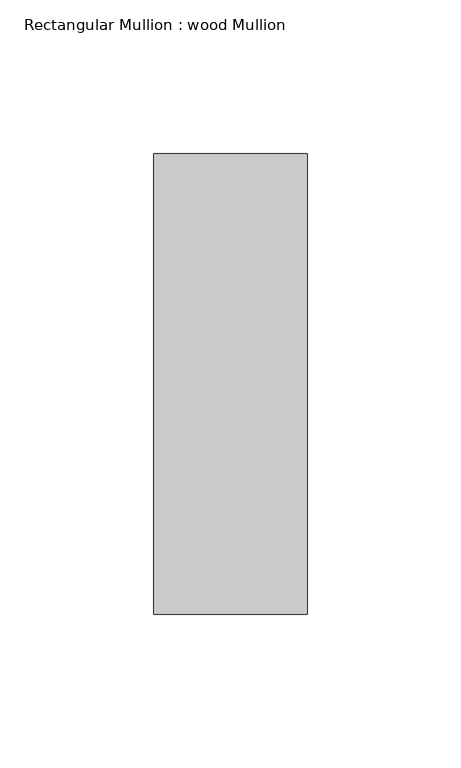
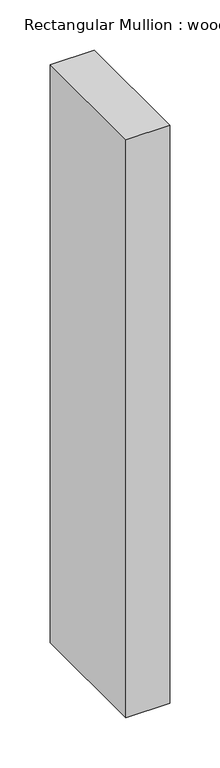
"""IFC4 building model written with IfcOpenShell, lengths in millimetres: member geometry, Rectangular Mullion : wood Mullion."""

from ifc_helpers import new_model, si_unit, frame, origin, place, context, project, spatial, polyline, outline, extrude, source, transform, mapped, element, save


def rectangular_mullion_wood_mullion_84253eda(model_context):
    return source(origin(), model_context, "Body", "SweptSolid", [
        extrude(outline(polyline([(25.0, 75.0), (25.0, -75.0), (-25.0, -75.0), (-25.0, 75.0), (25.0, 75.0)])), frame((0.0, 0.0, -700.0), z_axis=(0.0, 0.0, 1.0), x_axis=(1.0, 0.0, 0.0)), (0.0, 0.0, 1.0), 700.0),
    ])


if __name__ == "__main__":
    model = new_model("IFC4")
    model_context = context("Model", 3, world=origin())
    ifc_project = project(units=[si_unit("LENGTHUNIT", "METRE", prefix="MILLI")], contexts=[model_context])
    site = spatial("IfcSite", under=ifc_project)
    building = spatial("IfcBuilding", under=site)
    placement = place(None, origin())
    rectangular_mullion_wood_mullion_shape = rectangular_mullion_wood_mullion_84253eda(model_context)
    element("IfcMember", 1, ObjectType="Rectangular Mullion : wood Mullion", at=placement, inside=building, context=model_context, shape_type="MappedRepresentation", body=[
        mapped(rectangular_mullion_wood_mullion_shape, transform((0.0, 0.0, 0.0), x_axis=(1.0, 0.0, 0.0), y_axis=(0.0, 1.0, 0.0), z_axis=(0.0, 0.0, 1.0))),
    ])
    save(model, "model.ifc")
